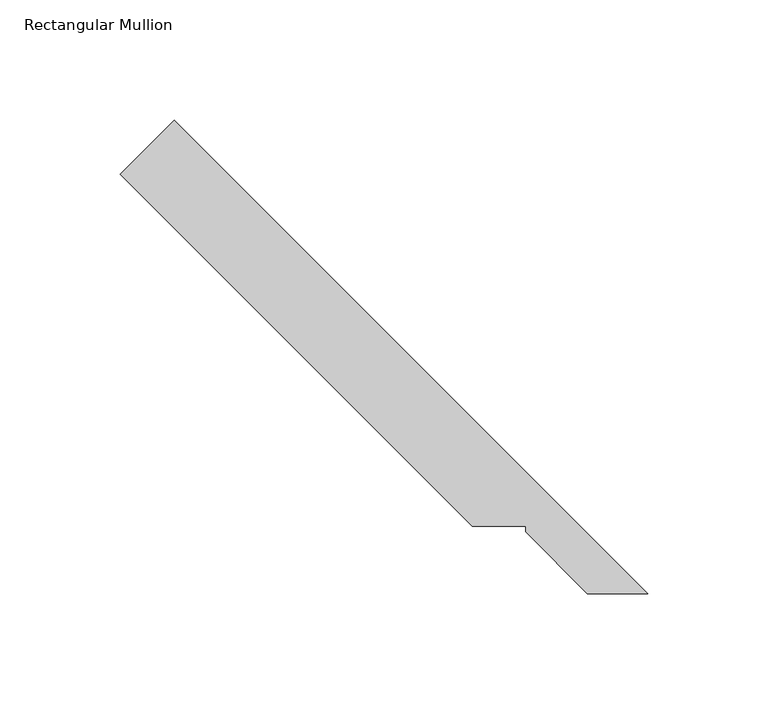
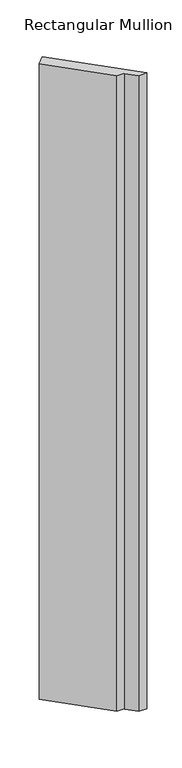
"""IFC4 building model written with IfcOpenShell, lengths in millimetres: member geometry, Rectangular Mullion."""

from ifc_helpers import new_model, si_unit, frame, origin, place, context, project, spatial, polyline, outline, extrude, source, transform, mapped, element, save


def rectangular_mullion_757b7c65(model_context):
    return source(origin(), model_context, "Body", "SweptSolid", [
        extrude(outline(polyline([(-215.2737965, 215.2737965), (-18.7795466, 18.7795466), (-43.8506461, 18.7795466), (-69.3587299, 44.3964492), (-69.3587299, 46.6824492), (-91.5837298, 46.6824492), (-237.7244368, 192.8231562), (-215.2737965, 215.2737965)])), frame((0.0, 0.0, -1993.9000004), z_axis=(0.0, 0.0, 1.0), x_axis=(1.0, 0.0, 0.0)), (0.0, 0.0, 1.0), 1993.9000004),
    ])


if __name__ == "__main__":
    model = new_model("IFC4")
    model_context = context("Model", 3, world=origin())
    ifc_project = project(units=[si_unit("LENGTHUNIT", "METRE", prefix="MILLI")], contexts=[model_context])
    site = spatial("IfcSite", under=ifc_project)
    building = spatial("IfcBuilding", under=site)
    placement = place(None, origin())
    rectangular_mullion_shape = rectangular_mullion_757b7c65(model_context)
    element("IfcMember", 1, ObjectType="Rectangular Mullion", at=placement, inside=building, context=model_context, shape_type="MappedRepresentation", body=[
        mapped(rectangular_mullion_shape, transform((0.0, 0.0, 0.0), x_axis=(1.0, 0.0, 0.0), y_axis=(0.0, 1.0, 0.0), z_axis=(0.0, 0.0, 1.0))),
    ])
    save(model, "model.ifc")
